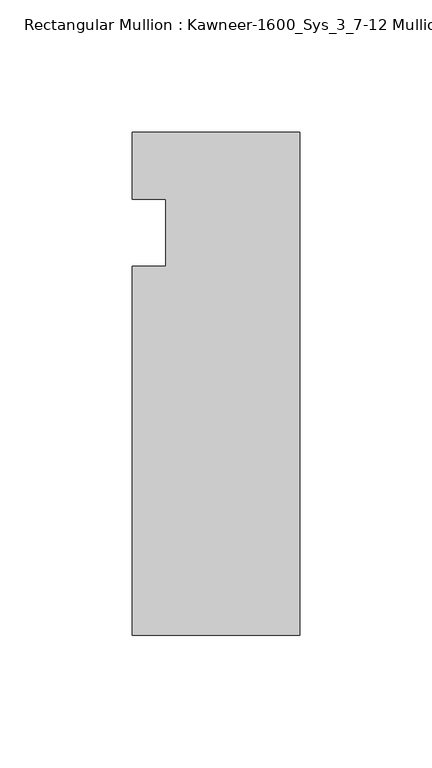
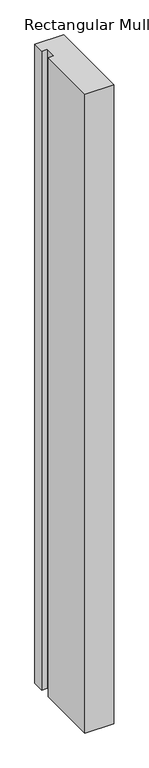
"""IFC4 building model written with IfcOpenShell, lengths in millimetres: member geometry, Rectangular Mullion : Kawneer-1600_Sys_3_7-12 Mullion_Jamb L."""

from ifc_helpers import new_model, si_unit, frame, origin, place, context, project, spatial, polyline, outline, extrude, source, transform, mapped, element, save


def rectangular_mullion_kawneer_1600_sys_3_7_12_mullion_jamb_l_c0070692(model_context):
    return source(origin(), model_context, "Body", "SweptSolid", [
        extrude(outline(polyline([(-63.5, -152.4), (-63.5, -12.7), (-50.7982296, -12.7), (-50.7982296, 12.7), (-63.5, 12.7), (-63.5, 38.1), (0.0, 38.1), (0.0, -152.4), (-63.5, -152.4)])), frame((0.0, 0.0, -1487.9155973), z_axis=(0.0, 0.0, 1.0), x_axis=(1.0, 0.0, 0.0)), (0.0, 0.0, 1.0), 1487.9155973),
    ])


if __name__ == "__main__":
    model = new_model("IFC4")
    model_context = context("Model", 3, world=origin())
    ifc_project = project(units=[si_unit("LENGTHUNIT", "METRE", prefix="MILLI")], contexts=[model_context])
    site = spatial("IfcSite", under=ifc_project)
    building = spatial("IfcBuilding", under=site)
    placement = place(None, origin())
    rectangular_mullion_kawneer_1600_sys_3_7_12_mullion_jamb_l_shape = rectangular_mullion_kawneer_1600_sys_3_7_12_mullion_jamb_l_c0070692(model_context)
    element("IfcMember", 1, ObjectType="Rectangular Mullion : Kawneer-1600_Sys_3_7-12 Mullion_Jamb L", at=placement, inside=building, context=model_context, shape_type="MappedRepresentation", body=[
        mapped(rectangular_mullion_kawneer_1600_sys_3_7_12_mullion_jamb_l_shape, transform((0.0, 0.0, 0.0), x_axis=(1.0, 0.0, 0.0), y_axis=(0.0, 1.0, 0.0), z_axis=(0.0, 0.0, 1.0))),
    ])
    save(model, "model.ifc")
